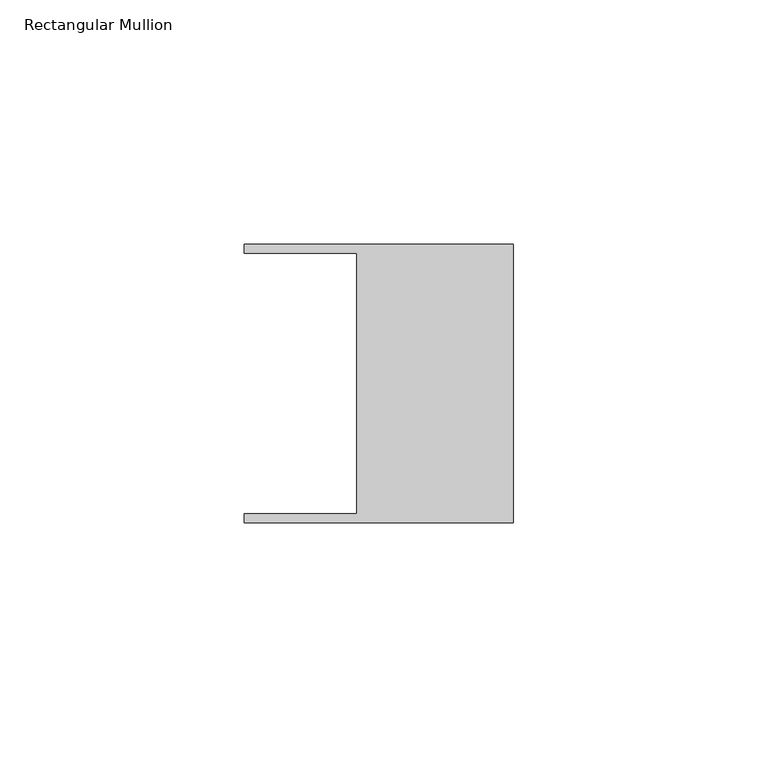
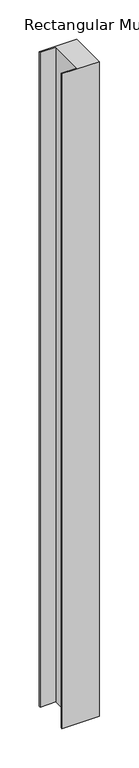
"""IFC4 building model written with IfcOpenShell, lengths in millimetres: member geometry, Rectangular Mullion."""

from ifc_helpers import new_model, si_unit, frame, origin, place, context, project, spatial, polyline, outline, extrude, source, transform, mapped, element, save


def rectangular_mullion_f3bdd610(model_context):
    return source(origin(), model_context, "Body", "SweptSolid", [
        extrude(outline(polyline([(-32.004, -26.67), (-32.004, 26.67), (-54.991, 26.67), (-54.991, 28.448), (0.0, 28.448), (0.0, -28.448), (-54.991, -28.448), (-54.991, -26.67), (-32.004, -26.67)])), frame((0.0, 0.0, -1016.0), z_axis=(0.0, 0.0, 1.0), x_axis=(1.0, 0.0, 0.0)), (0.0, 0.0, 1.0), 1016.0),
    ])


if __name__ == "__main__":
    model = new_model("IFC4")
    model_context = context("Model", 3, world=origin())
    ifc_project = project(units=[si_unit("LENGTHUNIT", "METRE", prefix="MILLI")], contexts=[model_context])
    site = spatial("IfcSite", under=ifc_project)
    building = spatial("IfcBuilding", under=site)
    placement = place(None, origin())
    rectangular_mullion_shape = rectangular_mullion_f3bdd610(model_context)
    element("IfcMember", 1, ObjectType="Rectangular Mullion", at=placement, inside=building, context=model_context, shape_type="MappedRepresentation", body=[
        mapped(rectangular_mullion_shape, transform((0.0, 0.0, 0.0), x_axis=(1.0, 0.0, 0.0), y_axis=(0.0, 1.0, 0.0), z_axis=(0.0, 0.0, 1.0))),
    ])
    save(model, "model.ifc")
